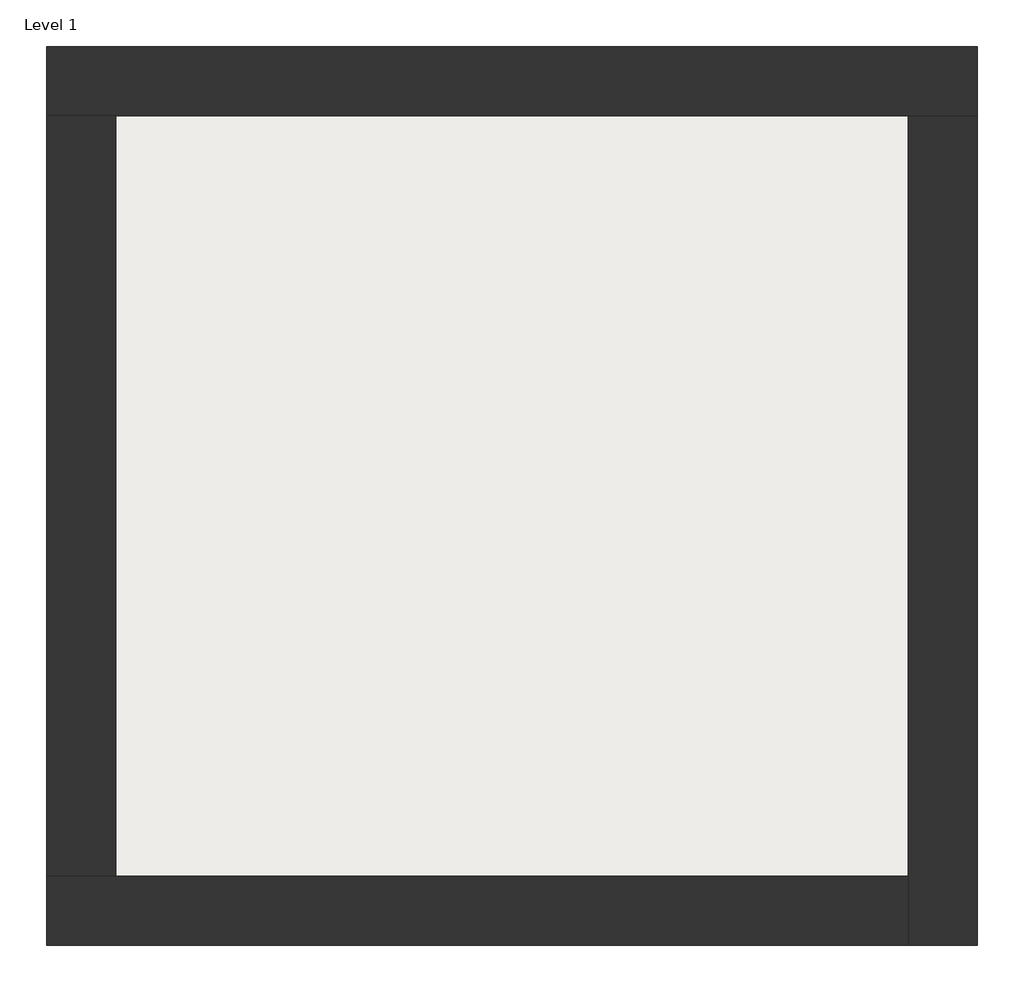
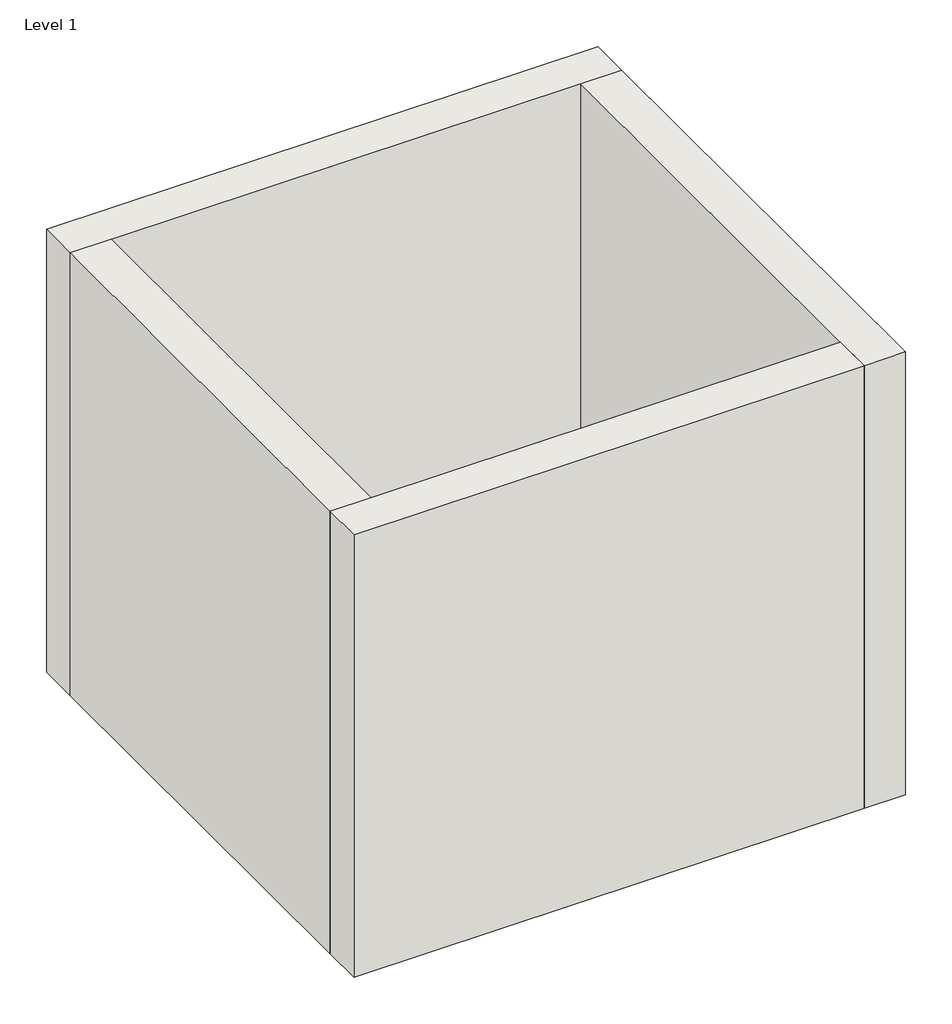
# One storey: 4 walls, 1 slab.
"""IFC4 building model written with IfcOpenShell, lengths in millimetres."""

from ifc_helpers import new_model, si_unit, frame, origin, origin_with_axes, place, context, project, spatial, polyline, outline, extrude, faceted_brep, element, save

model = new_model("IFC4")

# Units and contexts
model_context = context("Model", 3, world=origin())
ifc_project = project(units=[si_unit("LENGTHUNIT", "METRE", prefix="MILLI")], contexts=[model_context])

# Site, building, storey
site = spatial("IfcSite", under=ifc_project)
building = spatial("IfcBuilding", under=site)
storey = spatial("IfcBuildingStorey", under=building, Name="Level 1", Elevation=0.0)

# Slab
placement = place(None, origin())
element("IfcSlab", 1, at=placement, inside=storey, context=model_context, shape_type="SweptSolid", body=[
    extrude(outline(polyline([(-10869.3573003, 6934.2750283), (-10869.3573003, 3058.2750283), (-14907.8573003, 3058.2750283), (-14907.8573003, 6934.2750283), (-10869.3573003, 6934.2750283)])), frame((0.0, 0.0, -6.2), z_axis=(0.0, 0.0, 1.0), x_axis=(1.0, 0.0, 0.0)), (0.0, 0.0, 1.0), 126.2),
])

# Walls
element("IfcWall", 2, ObjectType="Exterior - Brick on Mtl. Stud", at=placement, inside=storey, context=model_context, shape_type="Brep", body=[
    faceted_brep([(-15244.8573003, 6921.2750283, 0.0), (-14894.8573003, 6921.2750283, 0.0), (-10882.3573003, 6921.2750283, 0.0), (-10532.3573003, 6921.2750283, 0.0), (-10532.3573003, 6921.2750283, 4000.0), (-10882.3573003, 6921.2750283, 4000.0), (-14894.8573003, 6921.2750283, 4000.0), (-15244.8573003, 6921.2750283, 4000.0), (-15244.8573003, 7271.2750283, 0.0), (-15244.8573003, 7271.2750283, 4000.0), (-10532.3573003, 7271.2750283, 4000.0), (-10532.3573003, 7271.2750283, 0.0)], [[[0, 1, 2, 3, 4, 5, 6, 7]], [[8, 9, 10, 11]], [[3, 2, 1, 0, 8, 11]], [[7, 6, 5, 4, 10, 9]], [[0, 7, 9, 8]], [[4, 3, 11, 10]]]),
])
element("IfcWall", 3, ObjectType="Exterior - Brick on Mtl. Stud", at=placement, inside=storey, context=model_context, shape_type="Brep", body=[
    faceted_brep([(-10882.3573003, 6921.2750283, 0.0), (-10882.3573003, 3071.2750283, 0.0), (-10882.3573003, 2721.2750283, 0.0), (-10882.3573003, 2721.2750283, 4000.0), (-10882.3573003, 3071.2750283, 4000.0), (-10882.3573003, 6921.2750283, 4000.0), (-10532.3573003, 6921.2750283, 0.0), (-10532.3573003, 6921.2750283, 4000.0), (-10532.3573003, 2721.2750283, 4000.0), (-10532.3573003, 2721.2750283, 0.0)], [[[0, 1, 2, 3, 4, 5]], [[6, 7, 8, 9]], [[2, 1, 0, 6, 9]], [[5, 4, 3, 8, 7]], [[3, 2, 9, 8]], [[0, 5, 7, 6]]]),
])
element("IfcWall", 4, ObjectType="Exterior - Brick on Mtl. Stud", at=placement, inside=storey, context=model_context, shape_type="Brep", body=[
    faceted_brep([(-10882.3573003, 3071.2750283, 0.0), (-14894.8573003, 3071.2750283, 0.0), (-15244.8573003, 3071.2750283, 0.0), (-15244.8573003, 3071.2750283, 4000.0), (-14894.8573003, 3071.2750283, 4000.0), (-10882.3573003, 3071.2750283, 4000.0), (-10882.3573003, 2721.2750283, 0.0), (-10882.3573003, 2721.2750283, 4000.0), (-15244.8573003, 2721.2750283, 4000.0), (-15244.8573003, 2721.2750283, 0.0)], [[[0, 1, 2, 3, 4, 5]], [[6, 7, 8, 9]], [[2, 1, 0, 6, 9]], [[5, 4, 3, 8, 7]], [[3, 2, 9, 8]], [[0, 5, 7, 6]]]),
])
element("IfcWall", 5, ObjectType="Exterior - Brick on Mtl. Stud", at=placement, inside=storey, context=model_context, shape_type="SweptSolid", body=[
    extrude(outline(polyline([(-14894.8573003, 6921.2750283), (-14894.8573003, 3071.2750283), (-15244.8573003, 3071.2750283), (-15244.8573003, 6921.2750283), (-14894.8573003, 6921.2750283)])), origin_with_axes(), (0.0, 0.0, 1.0), 4000.0),
])

save(model, "model.ifc")
